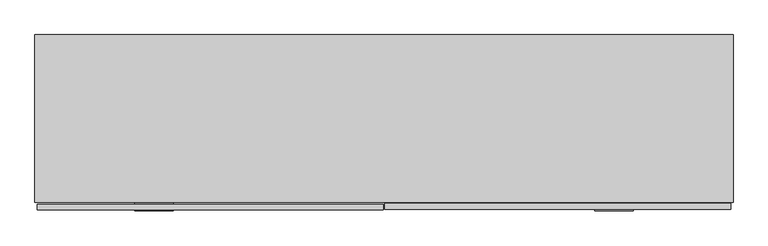
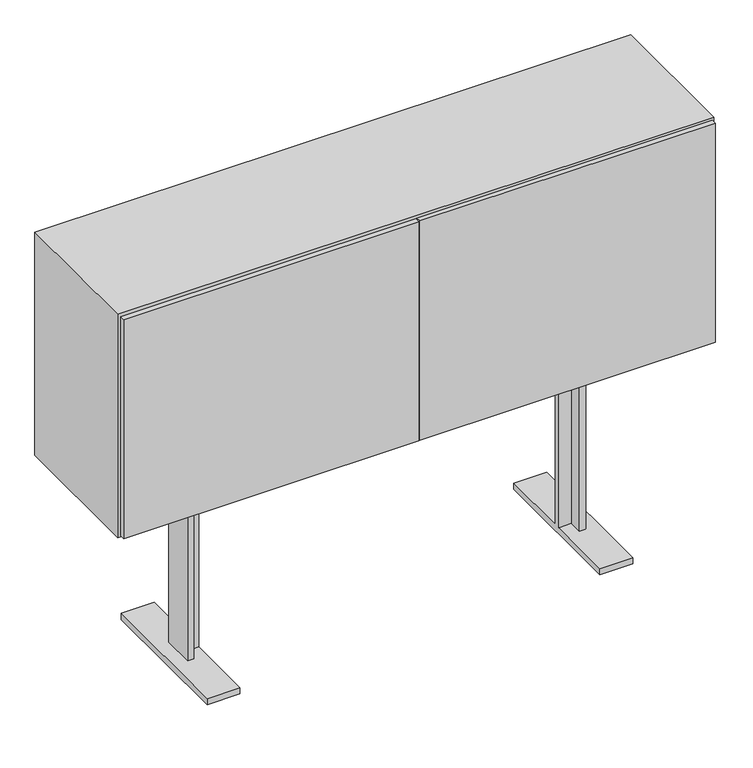
"""IFC4 building model written with IfcOpenShell, lengths in millimetres: furniture geometry."""

from ifc_helpers import new_model, si_unit, frame, origin, place, context, project, spatial, polyline, outline, extrude, faceted_brep, source, transform, mapped, element, save


def furniture_5c794c72(model_context):
    return source(origin(), model_context, "Body", "SolidModel", [
        extrude(outline(polyline([(-2.2220026, 14.0619413), (-2.2220026, -0.9392987), (-892.175, -0.9392987), (-892.175, 14.0619413), (-2.2220026, 14.0619413)])), frame((0.0, 0.0, 615.95), z_axis=(0.0, 0.0, 1.0), x_axis=(1.0, 0.0, 0.0)), (0.0, 0.0, 1.0), 698.5),
        extrude(outline(polyline([(892.175, 15.9405387), (892.175, 0.9392987), (2.2220026, 0.9392987), (2.2220026, 15.9405387), (892.175, 15.9405387)])), frame((0.0, 0.0, 615.95), z_axis=(0.0, 0.0, 1.0), x_axis=(1.0, 0.0, 0.0)), (0.0, 0.0, 1.0), 698.5),
        extrude(outline(polyline([(879.475, 19.0420174), (-879.475, 19.0420174), (-879.475, 431.8), (879.475, 431.8), (879.475, 19.0420174)])), frame((0.0, 0.0, 955.675), z_axis=(0.0, 0.0, 1.0), x_axis=(1.0, 0.0, 0.0)), (0.0, 0.0, 1.0), 19.05),
        faceted_brep([(898.525, 19.0420174, 1320.8), (-898.525, 19.0420174, 1320.8), (-898.525, 19.0420174, 609.6), (898.525, 19.0420174, 609.6), (-879.475, 19.0420174, 1301.75), (879.475, 19.0420174, 1301.75), (879.475, 19.0420174, 628.65), (-879.475, 19.0420174, 628.65), (898.525, 450.85, 1320.8), (898.525, 450.85, 609.6), (-898.525, 450.85, 609.6), (-898.525, 450.85, 1320.8), (-879.475, 431.8, 1301.75), (879.475, 431.8, 1301.75), (879.475, 431.8, 628.65), (-879.475, 431.8, 628.65)], [[[0, 1, 2, 3], [4, 5, 6, 7]], [[8, 9, 10, 11]], [[1, 0, 8, 11]], [[2, 1, 11, 10]], [[3, 2, 10, 9]], [[0, 3, 9, 8]], [[5, 4, 12, 13]], [[6, 5, 13, 14]], [[7, 6, 14, 15]], [[4, 7, 15, 12]], [[13, 12, 15, 14]]]),
        extrude(outline(polyline([(9.525, 19.0739478), (-9.525, 19.0739478), (-9.525, 423.0566059), (9.525, 423.0566059), (9.525, 19.0739478)])), frame((0.0, 0.0, 628.65), z_axis=(0.0, 0.0, 1.0), x_axis=(1.0, 0.0, 0.0)), (0.0, 0.0, 1.0), 673.1),
        faceted_brep([(-600.0000108, 171.1108775, 609.6), (-580.9500108, 171.1108775, 609.6), (-580.9500108, 211.6109348, 609.6), (580.9500108, 211.6109348, 609.6), (580.9500108, 171.1108775, 609.6), (600.0000108, 171.1108775, 609.6), (600.0000108, 269.1160418, 609.6), (580.9500108, 269.1160418, 609.6), (580.9500108, 230.9134, 609.6), (-580.9500108, 230.9134, 609.6), (-580.9500108, 269.1160418, 609.6), (-600.0000108, 269.1160418, 609.6), (-600.0000108, 171.1108775, 19.8859728), (-580.9500108, 171.1108775, 19.8859728), (-580.9500108, 211.6109348, 19.8859728), (-542.4999595, 211.6109348, 558.8), (542.4999595, 211.6109348, 558.8), (542.4999595, 211.6109348, 19.8859728), (580.9500108, 211.6109348, 19.8859728), (-542.4999595, 211.6109348, 19.8859728), (-542.4999595, 230.9134, 558.8), (-542.4999595, -3.1790836, 19.8859728), (-542.4999595, -3.1790836, 0.0), (-542.4999595, 445.4008393, 0.0), (-542.4999595, 445.4008393, 19.8859728), (-542.4999595, 230.9134, 19.8859728), (542.4999595, 230.9134, 558.8), (-580.9500108, 230.9134, 19.8859728), (580.9500108, 230.9134, 19.8859728), (542.4999595, 230.9134, 19.8859728), (-580.9500108, 269.1160418, 19.8859728), (-600.0000108, 269.1160418, 19.8859728), (580.9500108, 171.1108775, 19.8859728), (600.0000108, 171.1108775, 19.8859728), (542.4999595, 445.4008393, 19.8859728), (542.4999595, 445.4008393, 0.0), (542.4999595, -3.1790836, 0.0), (542.4999595, -3.1790836, 19.8859728), (580.9500108, 269.1160418, 19.8859728), (600.0000108, 269.1160418, 19.8859728), (-641.5000213, 445.4008393, 19.8859728), (-641.5000213, -3.1790836, 19.8859728), (-641.5000213, -3.1790836, 0.0), (-641.5000213, 445.4008393, 0.0), (641.5000213, -3.1790836, 19.8859728), (641.5000213, 445.4008393, 19.8859728), (641.5000213, 445.4008393, 0.0), (641.5000213, -3.1790836, 0.0)], [[[0, 1, 2, 3, 4, 5, 6, 7, 8, 9, 10, 11]], [[1, 0, 12, 13]], [[2, 1, 13, 14]], [[15, 16, 17, 18, 3, 2, 14, 19]], [[20, 15, 19, 21, 22, 23, 24, 25]], [[26, 20, 25, 27, 9, 8, 28, 29]], [[10, 9, 27, 30]], [[11, 10, 30, 31]], [[0, 11, 31, 12]], [[20, 26, 16, 15]], [[5, 4, 32, 33]], [[4, 3, 18, 32]], [[26, 29, 34, 35, 36, 37, 17, 16]], [[8, 7, 38, 28]], [[7, 6, 39, 38]], [[6, 5, 33, 39]], [[24, 40, 41, 21, 19, 14, 13, 12, 31, 30, 27, 25]], [[23, 22, 42, 43]], [[40, 24, 23, 43]], [[41, 40, 43, 42]], [[21, 41, 42, 22]], [[37, 44, 45, 34, 29, 28, 38, 39, 33, 32, 18, 17]], [[35, 46, 47, 36]], [[34, 45, 46, 35]], [[45, 44, 47, 46]], [[44, 37, 36, 47]]]),
    ])


if __name__ == "__main__":
    model = new_model("IFC4")
    model_context = context("Model", 3, world=origin())
    ifc_project = project(units=[si_unit("LENGTHUNIT", "METRE", prefix="MILLI")], contexts=[model_context])
    site = spatial("IfcSite", under=ifc_project)
    building = spatial("IfcBuilding", under=site)
    placement = place(None, origin())
    furniture_shape = furniture_5c794c72(model_context)
    element("IfcFurniture", 1, at=placement, inside=building, context=model_context, shape_type="MappedRepresentation", body=[
        mapped(furniture_shape, transform((0.0, 0.0, 0.0), x_axis=(1.0, 0.0, 0.0), y_axis=(0.0, 1.0, 0.0), z_axis=(0.0, 0.0, 1.0))),
    ])
    save(model, "model.ifc")
